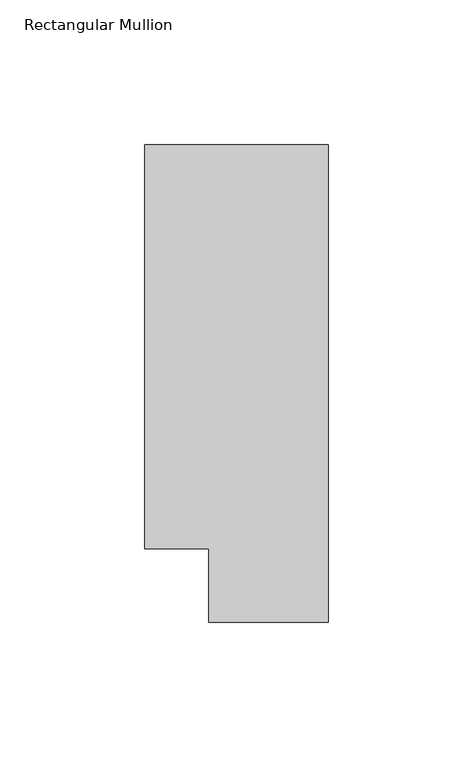
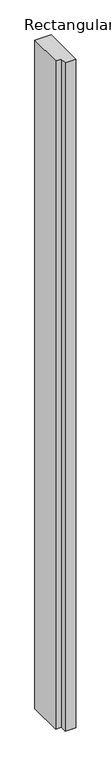
"""IFC4 building model written with IfcOpenShell, lengths in millimetres: member geometry, Rectangular Mullion."""

from ifc_helpers import new_model, si_unit, frame, origin, place, context, project, spatial, polyline, outline, extrude, source, transform, mapped, element, save


def rectangular_mullion_44996c83(model_context):
    return source(origin(), model_context, "Body", "SweptSolid", [
        extrude(outline(polyline([(0.0, 139.699995), (0.0, -25.4), (-41.2751132, -25.4), (-41.2751132, 0.0), (-63.5, 0.0), (-63.5, 139.699995), (0.0, 139.699995)])), frame((0.0, 0.0, -2743.2), z_axis=(0.0, 0.0, 1.0), x_axis=(1.0, 0.0, 0.0)), (0.0, 0.0, 1.0), 2743.2),
    ])


if __name__ == "__main__":
    model = new_model("IFC4")
    model_context = context("Model", 3, world=origin())
    ifc_project = project(units=[si_unit("LENGTHUNIT", "METRE", prefix="MILLI")], contexts=[model_context])
    site = spatial("IfcSite", under=ifc_project)
    building = spatial("IfcBuilding", under=site)
    placement = place(None, origin())
    rectangular_mullion_shape = rectangular_mullion_44996c83(model_context)
    element("IfcMember", 1, ObjectType="Rectangular Mullion", at=placement, inside=building, context=model_context, shape_type="MappedRepresentation", body=[
        mapped(rectangular_mullion_shape, transform((0.0, 0.0, 0.0), x_axis=(1.0, 0.0, 0.0), y_axis=(0.0, 1.0, 0.0), z_axis=(0.0, 0.0, 1.0))),
    ])
    save(model, "model.ifc")
